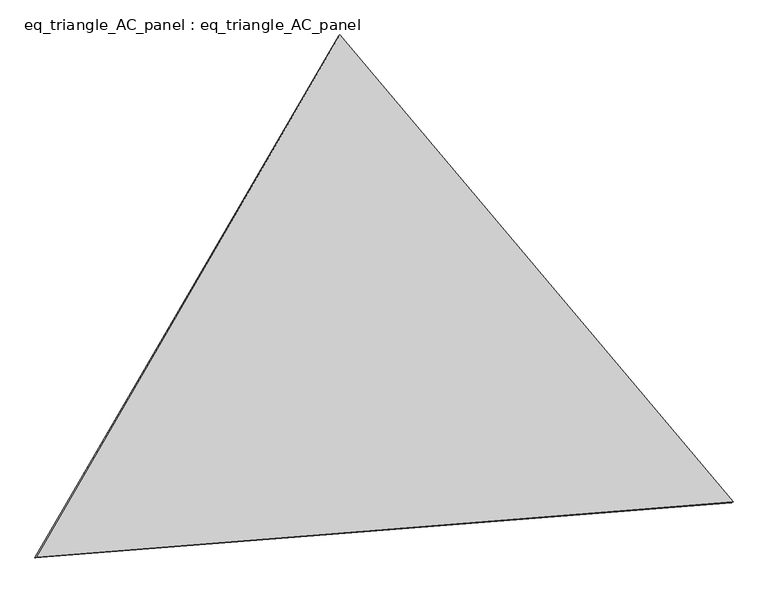
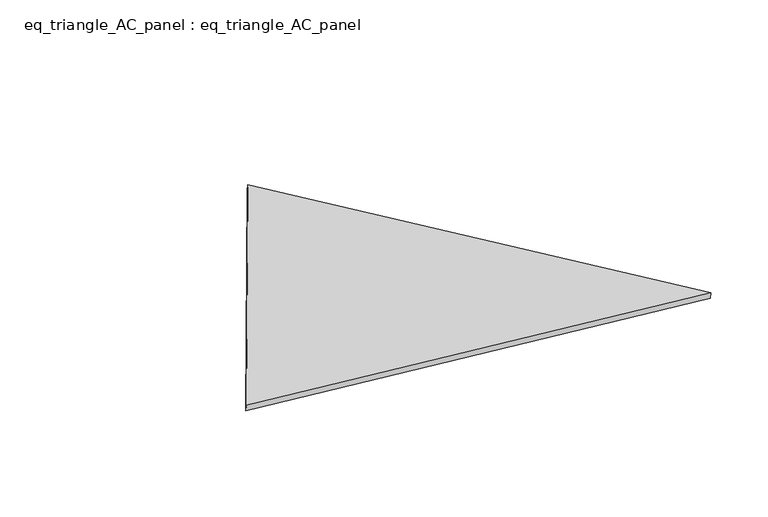
"""IFC4 building model written with IfcOpenShell, lengths in millimetres: proxy geometry, eq_triangle_AC_panel : eq_triangle_AC_panel."""

from ifc_helpers import new_model, si_unit, frame, origin, place, context, project, spatial, polyline, outline, extrude, source, transform, mapped, element, save


def eq_triangle_ac_panel_eq_triangle_ac_panel_00498fc0(model_context):
    return source(origin(), model_context, "Body", "SweptSolid", [
        extrude(outline(polyline([(-1545.5252188, 1096.9501239), (1940.5810827, 1096.9501239), (-395.0558641, -2193.9002477), (-1545.5252188, 1096.9501239)])), frame((0.0038051, 527.9290861, 89.8240019), z_axis=(0.14526328518059628, 0.08386570281802289, 0.9858321976225872), x_axis=(0.6433905056168621, -0.7649607109844102, -0.02972823459783977)), (0.0, 0.0, 1.0), 43.8306294),
    ])


if __name__ == "__main__":
    model = new_model("IFC4")
    model_context = context("Model", 3, world=origin())
    ifc_project = project(units=[si_unit("LENGTHUNIT", "METRE", prefix="MILLI")], contexts=[model_context])
    site = spatial("IfcSite", under=ifc_project)
    building = spatial("IfcBuilding", under=site)
    placement = place(None, origin())
    eq_triangle_ac_panel_eq_triangle_ac_panel_shape = eq_triangle_ac_panel_eq_triangle_ac_panel_00498fc0(model_context)
    element("IfcBuildingElementProxy", 1, Name="eq_triangle_AC_panel : eq_triangle_AC_panel", ObjectType="eq_triangle_AC_panel : eq_triangle_AC_panel", at=placement, inside=building, context=model_context, shape_type="MappedRepresentation", body=[
        mapped(eq_triangle_ac_panel_eq_triangle_ac_panel_shape, transform((0.0, 0.0, 0.0), x_axis=(1.0, 0.0, 0.0), y_axis=(0.0, 1.0, 0.0), z_axis=(0.0, 0.0, 1.0))),
    ])
    save(model, "model.ifc")
